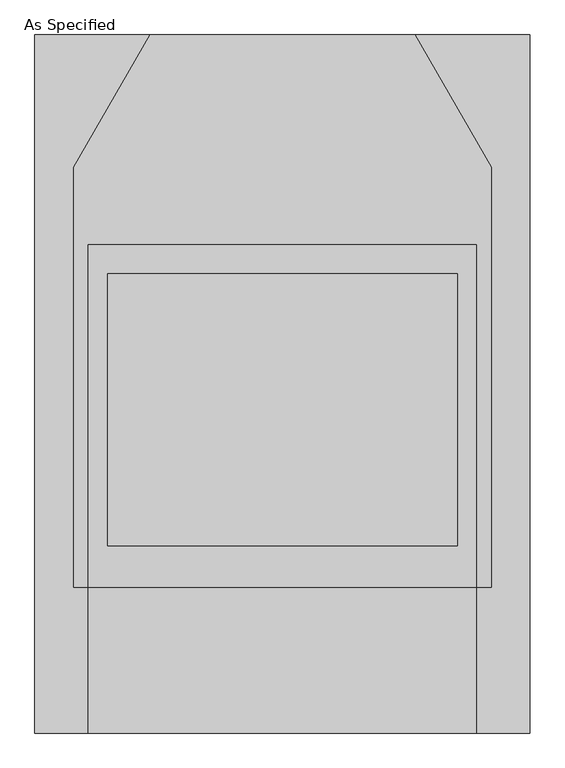
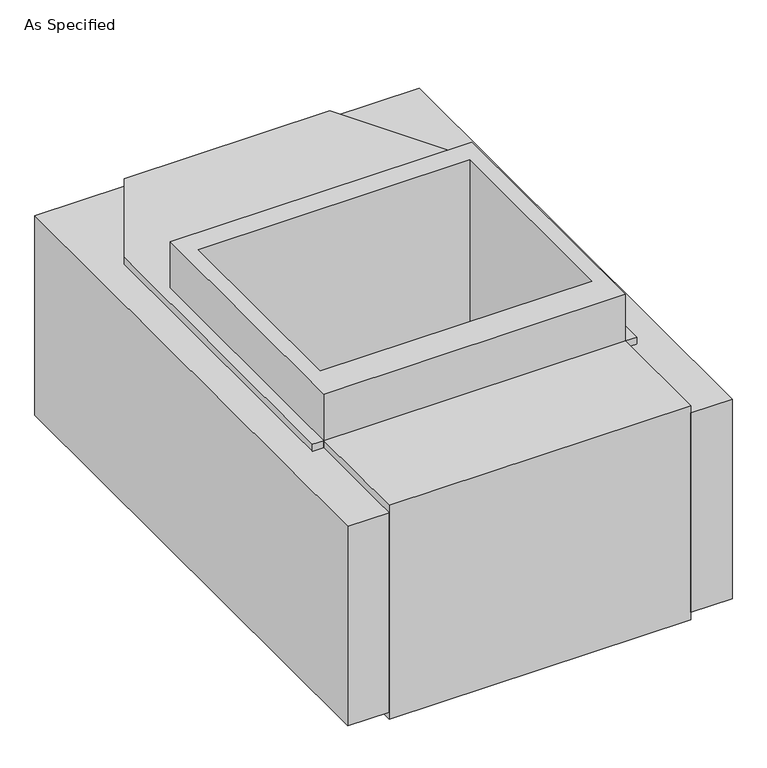
"""IFC4 building model written with IfcOpenShell, lengths in millimetres: proxy geometry, As Specified."""

from ifc_helpers import new_model, si_unit, frame, origin, place, context, project, spatial, polyline, outline, extrude, faceted_brep, source, transform, mapped, element, save


def as_specified_ccde960d(model_context):
    return source(origin(), model_context, "Body", "SolidModel", [
        extrude(outline(polyline([(508.0, -912.5148438), (508.0, -531.5148438), (546.1, -531.5148438), (546.1, 567.0748437), (346.660123, 912.5148437), (647.7, 912.5148437), (647.7, -912.5148438), (508.0, -912.5148438)])), frame((0.0, 0.0, -762.0), z_axis=(0.0, 0.0, 1.0), x_axis=(1.0, 0.0, 0.0)), (0.0, 0.0, 1.0), 711.2),
        extrude(outline(polyline([(-508.0, -912.5148438), (-647.7, -912.5148438), (-647.7, 912.5148437), (-346.660123, 912.5148437), (-546.1, 567.0748437), (-546.1, -531.5148438), (-508.0, -531.5148438), (-508.0, -912.5148438)])), frame((0.0, 0.0, -762.0), z_axis=(0.0, 0.0, 1.0), x_axis=(1.0, 0.0, 0.0)), (0.0, 0.0, 1.0), 711.2),
        extrude(outline(polyline([(508.0, 363.8351562), (508.0, -531.5148438), (-508.0, -531.5148438), (-508.0, 363.8351562), (508.0, 363.8351562)]), holes=[polyline([(-457.2, 287.6748437), (-457.2, -423.5251563), (457.2, -423.5251563), (457.2, 287.6748437), (-457.2, 287.6748437)])]), frame((0.0, 0.0, -762.0), z_axis=(0.0, 0.0, 1.0), x_axis=(1.0, 0.0, 0.0)), (0.0, 0.0, 1.0), 901.7),
        faceted_brep([(508.0, -912.5148438, -787.4), (-508.0, -912.5148438, -787.4), (-508.0, -531.5148438, -787.4), (-546.1, -531.5148438, -787.4), (-546.1, 567.0748437, -787.4), (-346.660123, 912.5148437, -787.4), (346.660123, 912.5148437, -787.4), (546.1, 567.0748437, -787.4), (546.1, -531.5148438, -787.4), (508.0, -531.5148438, -787.4), (508.0, -912.5148438, -25.4), (508.0, -531.5148438, -25.4), (546.1, -531.5148438, -25.4), (546.1, 567.0748437, -25.4), (346.660123, 912.5148437, -25.4), (-346.660123, 912.5148437, -25.4), (-546.1, 567.0748437, -25.4), (-546.1, -531.5148438, -25.4), (-508.0, -531.5148438, -25.4), (-508.0, -912.5148438, -25.4), (457.2, 287.6748437, -25.4), (457.2, -423.5251563, -25.4), (-457.2, -423.5251563, -25.4), (-457.2, 287.6748437, -25.4), (457.2, 287.6748437, -762.0), (-457.2, 287.6748437, -762.0), (-457.2, -423.5251563, -762.0), (457.2, -423.5251563, -762.0)], [[[0, 1, 2, 3, 4, 5, 6, 7, 8, 9]], [[10, 11, 12, 13, 14, 15, 16, 17, 18, 19], [20, 21, 22, 23]], [[6, 5, 15, 14]], [[3, 17, 16, 4]], [[17, 3, 2, 18]], [[8, 12, 11, 9]], [[12, 8, 7, 13]], [[0, 9, 11, 10]], [[2, 1, 19, 18]], [[1, 0, 10, 19]], [[5, 4, 16, 15]], [[7, 6, 14, 13]], [[24, 25, 26, 27]], [[24, 27, 21, 20]], [[27, 26, 22, 21]], [[26, 25, 23, 22]], [[25, 24, 20, 23]]]),
    ])


if __name__ == "__main__":
    model = new_model("IFC4")
    model_context = context("Model", 3, world=origin())
    ifc_project = project(units=[si_unit("LENGTHUNIT", "METRE", prefix="MILLI")], contexts=[model_context])
    site = spatial("IfcSite", under=ifc_project)
    building = spatial("IfcBuilding", under=site)
    placement = place(None, origin())
    as_specified_shape = as_specified_ccde960d(model_context)
    element("IfcBuildingElementProxy", 1, Name="As Specified", ObjectType="As Specified", at=placement, inside=building, context=model_context, shape_type="MappedRepresentation", body=[
        mapped(as_specified_shape, transform((0.0, 0.0, 0.0), x_axis=(1.0, 0.0, 0.0), y_axis=(0.0, 1.0, 0.0), z_axis=(0.0, 0.0, 1.0))),
    ])
    save(model, "model.ifc")
